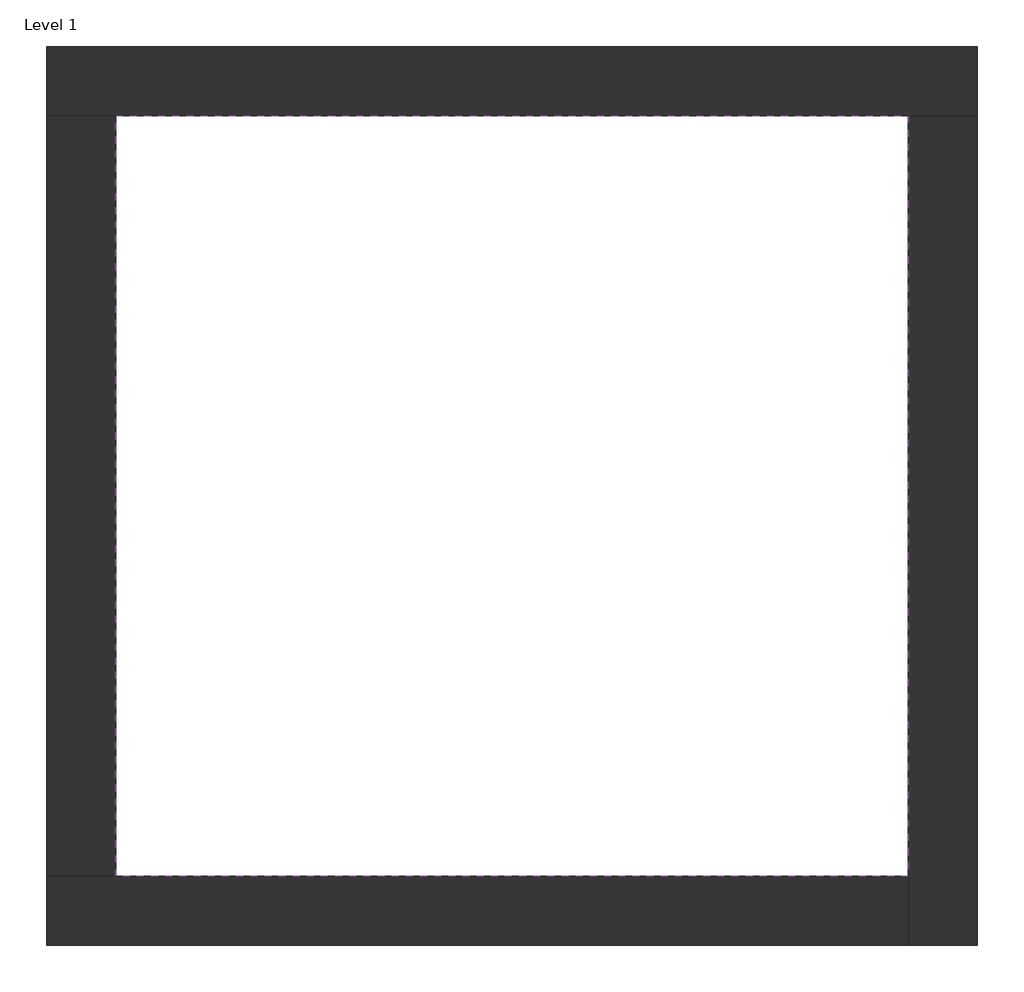
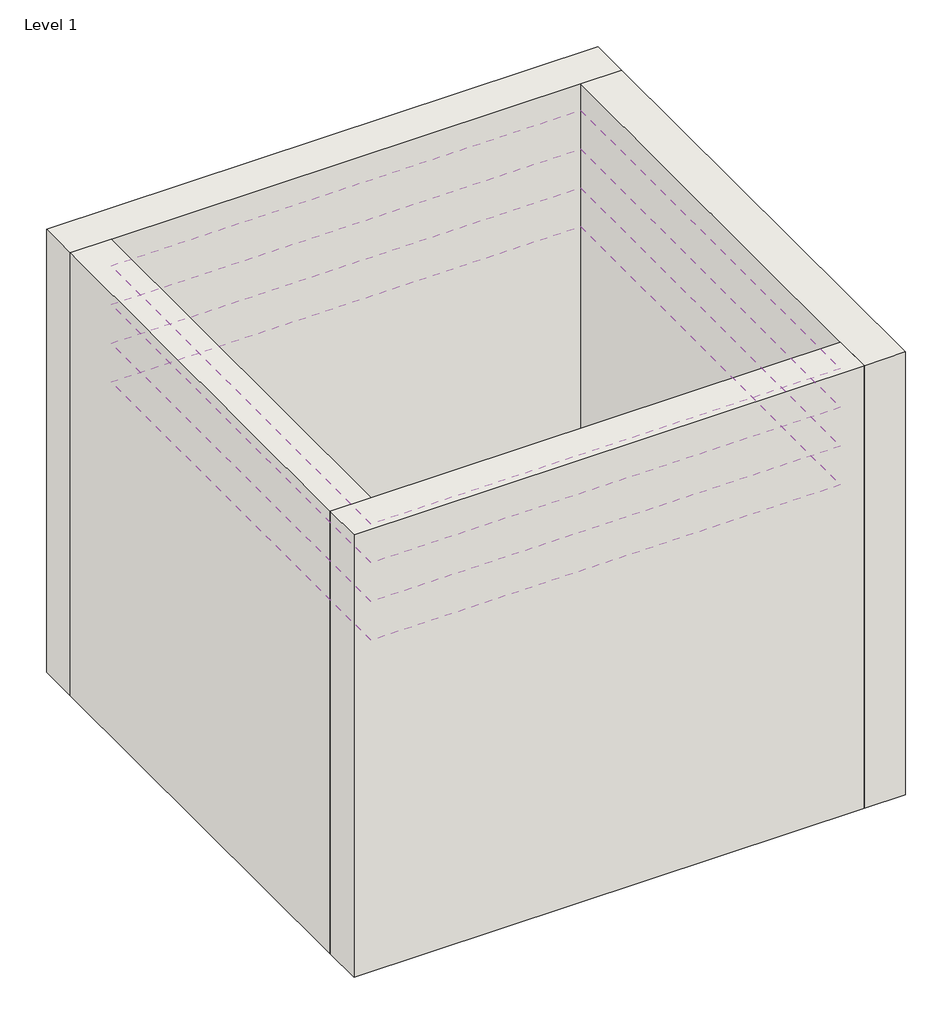
# One storey: 4 coverings, 4 walls.
"""IFC4 building model written with IfcOpenShell, lengths in millimetres."""

from ifc_helpers import new_model, si_unit, frame, origin, origin_with_axes, place, context, project, spatial, polyline, outline, extrude, faceted_brep, element, save

model = new_model("IFC4")

# Units and contexts
model_context = context("Model", 3, world=origin())
ifc_project = project(units=[si_unit("LENGTHUNIT", "METRE", prefix="MILLI")], contexts=[model_context])

# Site, building, storey
site = spatial("IfcSite", under=ifc_project)
building = spatial("IfcBuilding", under=site)
storey = spatial("IfcBuildingStorey", under=building, Name="Level 1", Elevation=0.0)

# Coverings
placement = place(None, origin())
element("IfcCovering", 1, at=placement, inside=storey, context=model_context, shape_type="SweptSolid", body=[
    extrude(outline(polyline([(-14894.8573003, 6921.2750283), (-10882.3573003, 6921.2750283), (-10882.3573003, 3071.2750283), (-14894.8573003, 3071.2750283), (-14894.8573003, 6921.2750283)])), frame((0.0, 0.0, 3760.0), z_axis=(0.0, 0.0, 1.0), x_axis=(1.0, 0.0, 0.0)), (0.0, 0.0, 1.0), 242.5),
])
element("IfcCovering", 2, at=placement, inside=storey, context=model_context, shape_type="SweptSolid", body=[
    extrude(outline(polyline([(-14894.8573003, 6921.2750283), (-10882.3573003, 6921.2750283), (-10882.3573003, 3071.2750283), (-14894.8573003, 3071.2750283), (-14894.8573003, 6921.2750283)])), frame((0.0, 0.0, 3410.0), z_axis=(0.0, 0.0, 1.0), x_axis=(1.0, 0.0, 0.0)), (0.0, 0.0, 1.0), 242.5),
])
element("IfcCovering", 3, at=placement, inside=storey, context=model_context, shape_type="SweptSolid", body=[
    extrude(outline(polyline([(-14894.8573003, 6921.2750283), (-10882.3573003, 6921.2750283), (-10882.3573003, 3071.2750283), (-14894.8573003, 3071.2750283), (-14894.8573003, 6921.2750283)])), frame((0.0, 0.0, 3060.0), z_axis=(0.0, 0.0, 1.0), x_axis=(1.0, 0.0, 0.0)), (0.0, 0.0, 1.0), 242.5),
])
element("IfcCovering", 4, at=placement, inside=storey, context=model_context, shape_type="SweptSolid", body=[
    extrude(outline(polyline([(-14894.8573003, 6921.2750283), (-10882.3573003, 6921.2750283), (-10882.3573003, 3071.2750283), (-14894.8573003, 3071.2750283), (-14894.8573003, 6921.2750283)])), frame((0.0, 0.0, 2710.0), z_axis=(0.0, 0.0, 1.0), x_axis=(1.0, 0.0, 0.0)), (0.0, 0.0, 1.0), 242.5),
])

# Walls
element("IfcWall", 5, ObjectType="Exterior - Brick on Mtl. Stud", at=placement, inside=storey, context=model_context, shape_type="Brep", body=[
    faceted_brep([(-15244.8573003, 6921.2750283, 0.0), (-14894.8573003, 6921.2750283, 0.0), (-10882.3573003, 6921.2750283, 0.0), (-10532.3573003, 6921.2750283, 0.0), (-10532.3573003, 6921.2750283, 4000.0), (-10882.3573003, 6921.2750283, 4000.0), (-14894.8573003, 6921.2750283, 4000.0), (-15244.8573003, 6921.2750283, 4000.0), (-15244.8573003, 7271.2750283, 0.0), (-15244.8573003, 7271.2750283, 4000.0), (-10532.3573003, 7271.2750283, 4000.0), (-10532.3573003, 7271.2750283, 0.0)], [[[0, 1, 2, 3, 4, 5, 6, 7]], [[8, 9, 10, 11]], [[3, 2, 1, 0, 8, 11]], [[7, 6, 5, 4, 10, 9]], [[0, 7, 9, 8]], [[4, 3, 11, 10]]]),
])
element("IfcWall", 6, ObjectType="Exterior - Brick on Mtl. Stud", at=placement, inside=storey, context=model_context, shape_type="Brep", body=[
    faceted_brep([(-10882.3573003, 6921.2750283, 0.0), (-10882.3573003, 3071.2750283, 0.0), (-10882.3573003, 2721.2750283, 0.0), (-10882.3573003, 2721.2750283, 4000.0), (-10882.3573003, 3071.2750283, 4000.0), (-10882.3573003, 6921.2750283, 4000.0), (-10532.3573003, 6921.2750283, 0.0), (-10532.3573003, 6921.2750283, 4000.0), (-10532.3573003, 2721.2750283, 4000.0), (-10532.3573003, 2721.2750283, 0.0)], [[[0, 1, 2, 3, 4, 5]], [[6, 7, 8, 9]], [[2, 1, 0, 6, 9]], [[5, 4, 3, 8, 7]], [[3, 2, 9, 8]], [[0, 5, 7, 6]]]),
])
element("IfcWall", 7, ObjectType="Exterior - Brick on Mtl. Stud", at=placement, inside=storey, context=model_context, shape_type="Brep", body=[
    faceted_brep([(-10882.3573003, 3071.2750283, 0.0), (-14894.8573003, 3071.2750283, 0.0), (-15244.8573003, 3071.2750283, 0.0), (-15244.8573003, 3071.2750283, 4000.0), (-14894.8573003, 3071.2750283, 4000.0), (-10882.3573003, 3071.2750283, 4000.0), (-10882.3573003, 2721.2750283, 0.0), (-10882.3573003, 2721.2750283, 4000.0), (-15244.8573003, 2721.2750283, 4000.0), (-15244.8573003, 2721.2750283, 0.0)], [[[0, 1, 2, 3, 4, 5]], [[6, 7, 8, 9]], [[2, 1, 0, 6, 9]], [[5, 4, 3, 8, 7]], [[3, 2, 9, 8]], [[0, 5, 7, 6]]]),
])
element("IfcWall", 8, ObjectType="Exterior - Brick on Mtl. Stud", at=placement, inside=storey, context=model_context, shape_type="SweptSolid", body=[
    extrude(outline(polyline([(-14894.8573003, 6921.2750283), (-14894.8573003, 3071.2750283), (-15244.8573003, 3071.2750283), (-15244.8573003, 6921.2750283), (-14894.8573003, 6921.2750283)])), origin_with_axes(), (0.0, 0.0, 1.0), 4000.0),
])

save(model, "model.ifc")
